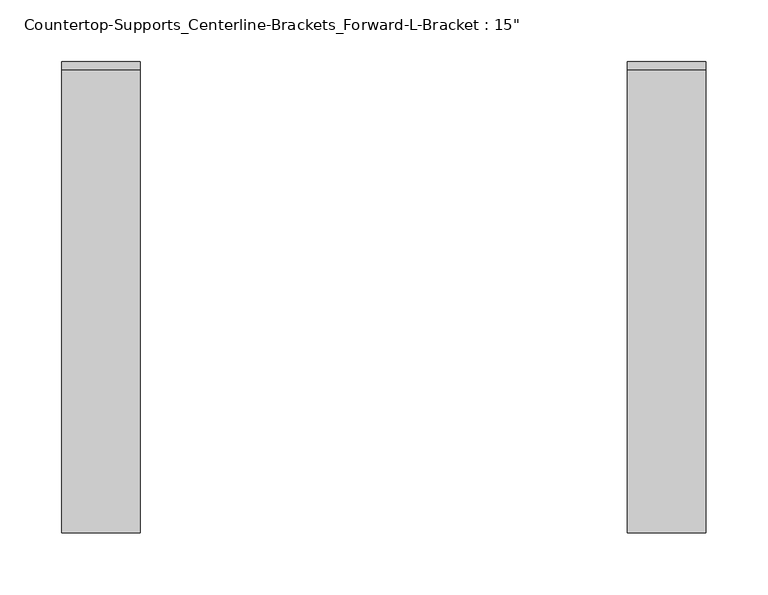
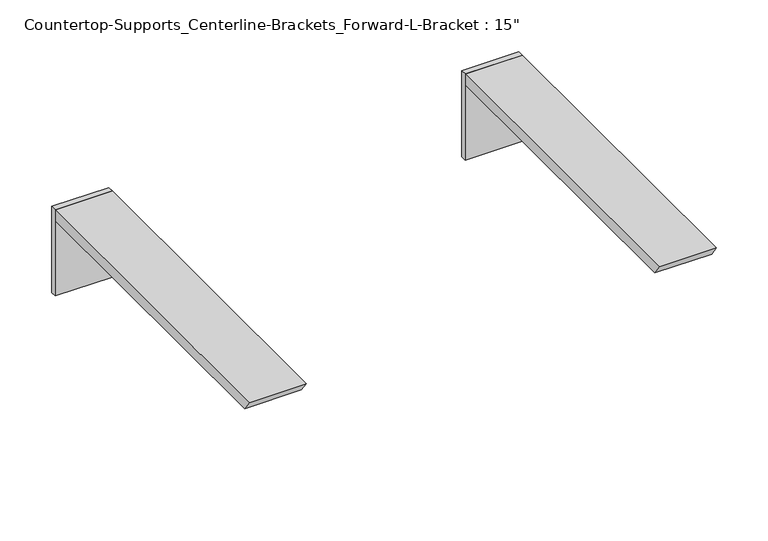
"""IFC4 building model written with IfcOpenShell, lengths in millimetres: furniture geometry."""

from ifc_helpers import new_model, si_unit, frame, origin, place, context, project, spatial, polyline, outline, extrude, source, transform, mapped, element, save


def furniture_31f479f2(model_context):
    return source(origin(), model_context, "Body", "SweptSolid", [
        extrude(outline(polyline([(520.700002, 0.0), (520.700002, -6.35), (457.2, -6.35), (457.2, 0.0), (520.700002, 0.0)])), frame((0.0, 0.0, 812.8), z_axis=(0.0, 0.0, 1.0), x_axis=(1.0, 0.0, 0.0)), (0.0, 0.0, 1.0), 101.6),
        extrude(outline(polyline([(-372.1073644, 901.7000002), (-381.0, 914.4), (-6.35, 914.4), (-6.35, 901.7000002), (-372.1073644, 901.7000002)])), frame((457.2, 0.0, 0.0), z_axis=(1.0, 0.0, 0.0), x_axis=(0.0, 1.0, 0.0)), (0.0, 0.0, 1.0), 63.500002),
        extrude(outline(polyline([(63.500002, 0.0), (63.500002, -6.35), (0.0, -6.35), (0.0, 0.0), (63.500002, 0.0)])), frame((0.0, 0.0, 812.8), z_axis=(0.0, 0.0, 1.0), x_axis=(1.0, 0.0, 0.0)), (0.0, 0.0, 1.0), 101.6),
        extrude(outline(polyline([(-372.1073644, 901.7000002), (-381.0, 914.4), (-6.35, 914.4), (-6.35, 901.7000002), (-372.1073644, 901.7000002)])), frame((0.0, 0.0, 0.0), z_axis=(1.0, 0.0, 0.0), x_axis=(0.0, 1.0, 0.0)), (0.0, 0.0, 1.0), 63.500002),
    ])


if __name__ == "__main__":
    model = new_model("IFC4")
    model_context = context("Model", 3, world=origin())
    ifc_project = project(units=[si_unit("LENGTHUNIT", "METRE", prefix="MILLI")], contexts=[model_context])
    site = spatial("IfcSite", under=ifc_project)
    building = spatial("IfcBuilding", under=site)
    placement = place(None, origin())
    furniture_shape = furniture_31f479f2(model_context)
    element("IfcFurniture", 1, ObjectType="Countertop-Supports_Centerline-Brackets_Forward-L-Bracket : 15\"", at=placement, inside=building, context=model_context, shape_type="MappedRepresentation", body=[
        mapped(furniture_shape, transform((0.0, 0.0, 0.0), x_axis=(1.0, 0.0, 0.0), y_axis=(0.0, 1.0, 0.0), z_axis=(0.0, 0.0, 1.0))),
    ])
    save(model, "model.ifc")
